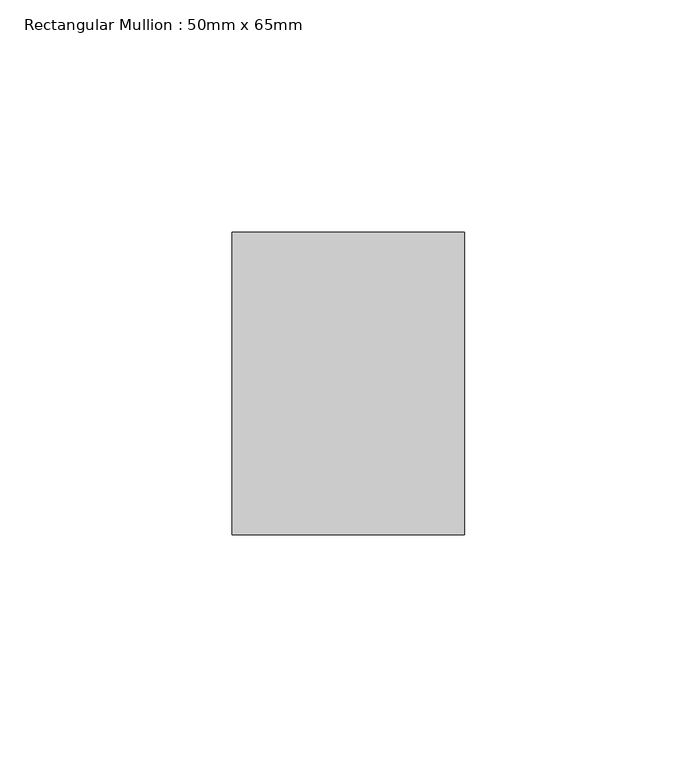
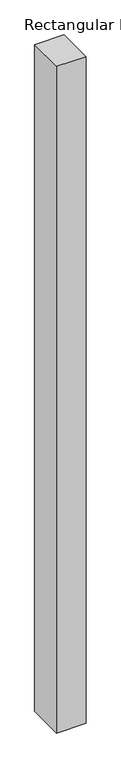
"""IFC4 building model written with IfcOpenShell, lengths in millimetres: member geometry, Rectangular Mullion : 50mm x 65mm."""

from ifc_helpers import new_model, si_unit, frame, origin, place, context, project, spatial, polyline, outline, extrude, source, transform, mapped, element, save


def rectangular_mullion_50mm_x_65mm_4eb6dd05(model_context):
    return source(origin(), model_context, "Body", "SweptSolid", [
        extrude(outline(polyline([(25.0, 32.5), (25.0, -32.5), (-25.0, -32.5), (-25.0, 32.5), (25.0, 32.5)])), frame((0.0, 0.0, -1205.17969), z_axis=(0.0, 0.0, 1.0), x_axis=(1.0, 0.0, 0.0)), (0.0, 0.0, 1.0), 1205.17969),
    ])


if __name__ == "__main__":
    model = new_model("IFC4")
    model_context = context("Model", 3, world=origin())
    ifc_project = project(units=[si_unit("LENGTHUNIT", "METRE", prefix="MILLI")], contexts=[model_context])
    site = spatial("IfcSite", under=ifc_project)
    building = spatial("IfcBuilding", under=site)
    placement = place(None, origin())
    rectangular_mullion_50mm_x_65mm_shape = rectangular_mullion_50mm_x_65mm_4eb6dd05(model_context)
    element("IfcMember", 1, ObjectType="Rectangular Mullion : 50mm x 65mm", at=placement, inside=building, context=model_context, shape_type="MappedRepresentation", body=[
        mapped(rectangular_mullion_50mm_x_65mm_shape, transform((0.0, 0.0, 0.0), x_axis=(1.0, 0.0, 0.0), y_axis=(0.0, 1.0, 0.0), z_axis=(0.0, 0.0, 1.0))),
    ])
    save(model, "model.ifc")
